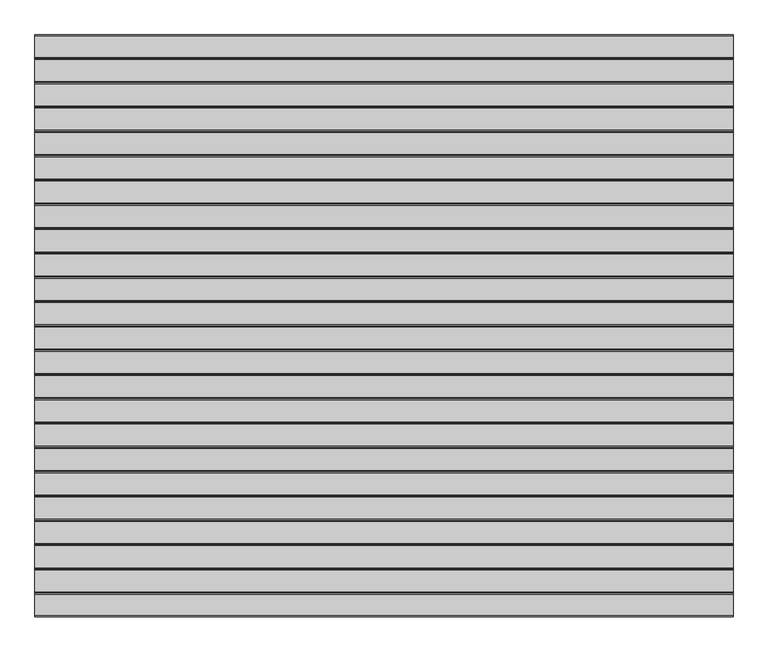
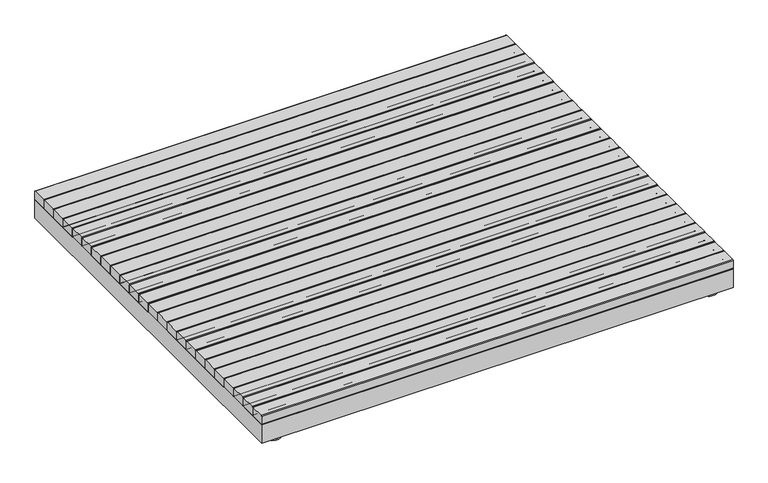
"""IFC4 building model written with IfcOpenShell, lengths in millimetres: furniture geometry."""

import ifcopenshell
import ifcopenshell.guid

model = None  # the IFC model being written
_history = None  # IfcOwnerHistory: only IFC2X3 demands one
_inside = {}  # id of a spatial element -> (the spatial element, [elements in it])
_under = {}  # id of a project, library or spatial element -> (it, [spatial elements below it])
_declared = {}  # id of a project -> (the project, [libraries it declares])
_typed = {}  # id of a type object -> (the type object, [elements of that type])
_made_of = {}  # id of a material, layer set ... -> (it, [elements and type objects made of it])


def new_model(schema):
    """Start an empty IFC model of exactly this schema.

    Asked for "IFC4X3", IfcOpenShell would pick the latest addendum, in which some entities
    have other attributes; the version numbers below select the first issue.
    IFC2X3 requires an IfcOwnerHistory on every rooted entity: one is made here for all.
    """
    global model, _history
    if schema == "IFC4X3":
        model = ifcopenshell.file(schema_version=(4, 3, 0, 0))
    else:
        model = ifcopenshell.file(schema=schema)
    _inside.clear()
    _under.clear()
    _declared.clear()
    _typed.clear()
    _made_of.clear()
    _history = None
    if model.schema == "IFC2X3":
        org = make("IfcOrganization", Name="unknown")
        user = make(
            "IfcPersonAndOrganization",
            ThePerson=make("IfcPerson", FamilyName="unknown"),
            TheOrganization=org,
        )
        app = make(
            "IfcApplication",
            ApplicationDeveloper=org,
            Version="unknown",
            ApplicationFullName="unknown",
            ApplicationIdentifier="unknown",
        )
        _history = make(
            "IfcOwnerHistory",
            OwningUser=user,
            OwningApplication=app,
            ChangeAction="ADDED",
            CreationDate=0,
        )
    return model


def make(cls, **values):
    """One entity of the class cls with the attributes given. An attribute that is None is left unset."""
    return model.create_entity(
        cls, **{name: value for name, value in values.items() if value is not None}
    )


def rooted(cls, **values):
    """An entity with a GlobalId (a new one), such as an element, a storey or a relation."""
    return make(cls, GlobalId=ifcopenshell.guid.new(), OwnerHistory=_history, **values)


def si_unit(unit_type, name, prefix=None):
    """IfcSIUnit, for example si_unit("LENGTHUNIT", "METRE", prefix="MILLI")."""
    return make("IfcSIUnit", UnitType=unit_type, Prefix=prefix, Name=name)


def assignment(units):
    """IfcUnitAssignment: the units of a project."""
    return None if units is None else make("IfcUnitAssignment", Units=units)


def point(xyz):
    """IfcCartesianPoint."""
    return None if xyz is None else make("IfcCartesianPoint", Coordinates=xyz)


def direction(xyz):
    """IfcDirection."""
    return None if xyz is None else make("IfcDirection", DirectionRatios=xyz)


def frame(location, z_axis=None, x_axis=None):
    """IfcAxis2Placement3D, a coordinate frame: its origin and axes. An axis left out is left unset."""
    return make(
        "IfcAxis2Placement3D",
        Location=point(location),
        Axis=direction(z_axis),
        RefDirection=direction(x_axis),
    )


def frame_2d(location, x_axis=None):
    """IfcAxis2Placement2D, a coordinate frame in the plane: its origin and x axis."""
    return make(
        "IfcAxis2Placement2D", Location=point(location), RefDirection=direction(x_axis)
    )


def origin():
    """The frame at (0, 0, 0) with its axes left unset."""
    return frame((0.0, 0.0, 0.0))


def origin_with_axes():
    """The frame at (0, 0, 0) with the z axis (0, 0, 1) and the x axis (1, 0, 0) written out."""
    return frame((0.0, 0.0, 0.0), z_axis=(0.0, 0.0, 1.0), x_axis=(1.0, 0.0, 0.0))


def place(relative_to, where):
    """IfcLocalPlacement: puts the frame where relative to a parent placement (None: the world)."""
    return make(
        "IfcLocalPlacement", PlacementRelTo=relative_to, RelativePlacement=where
    )


def context(
    kind, dimensions, precision=None, world=None, true_north=None, identifier=None
):
    """IfcGeometricRepresentationContext, for example the 3D "Model" context."""
    return make(
        "IfcGeometricRepresentationContext",
        ContextIdentifier=identifier,
        ContextType=kind,
        CoordinateSpaceDimension=dimensions,
        Precision=precision,
        WorldCoordinateSystem=world,
        TrueNorth=true_north,
    )


def project(units=None, contexts=None):
    """IfcProject with its units and contexts."""
    return rooted(
        "IfcProject",
        Name="project",
        RepresentationContexts=contexts,
        UnitsInContext=assignment(units),
    )


def spatial(cls, under=None, at=None, **own):
    """A site, building, storey or space (cls), placed at a placement, below another one or the project."""
    s = rooted(cls, ObjectPlacement=at, **own)
    if under is not None:
        _under.setdefault(under.id(), (under, []))[1].append(s)
    return s


def polyline(points):
    """IfcPolyline through the points."""
    return make("IfcPolyline", Points=[point(p) for p in points])


def circle_curve(where, radius):
    """IfcCircle in the frame where."""
    return make("IfcCircle", Position=where, Radius=radius)


def trimmed(basis, trim1, trim2, sense, master):
    """IfcTrimmedCurve: the piece of a basis curve between two trims."""
    return make(
        "IfcTrimmedCurve",
        BasisCurve=basis,
        Trim1=trim1,
        Trim2=trim2,
        SenseAgreement=sense,
        MasterRepresentation=master,
    )


def segment(curve, same_sense, transition):
    """IfcCompositeCurveSegment."""
    return make(
        "IfcCompositeCurveSegment",
        Transition=transition,
        SameSense=same_sense,
        ParentCurve=curve,
    )


def composite_curve(segments, self_intersect=None):
    """IfcCompositeCurve: segments joined end to end."""
    return make("IfcCompositeCurve", Segments=segments, SelfIntersect=self_intersect)


def outline(outer, holes=None, kind="AREA"):
    """IfcArbitraryClosedProfileDef: a profile drawn as a closed curve; with holes, ...WithVoids."""
    if holes is None:
        return make("IfcArbitraryClosedProfileDef", ProfileType=kind, OuterCurve=outer)
    return make(
        "IfcArbitraryProfileDefWithVoids",
        ProfileType=kind,
        OuterCurve=outer,
        InnerCurves=holes,
    )


def extrude(swept, where, along, depth):
    """IfcExtrudedAreaSolid: the profile swept, set in the frame where, extruded along a direction by depth."""
    return make(
        "IfcExtrudedAreaSolid",
        SweptArea=swept,
        Position=where,
        ExtrudedDirection=direction(along),
        Depth=depth,
    )


def faces_of(points, faces, orient=None, outer=None):
    """IfcFace entities. A face is a list of loops; a loop is a list of indices into points, from 0.

    orient and outer hold one flag for each loop. By default every Orientation is true, the
    first loop of a face is its IfcFaceOuterBound and the others are IfcFaceBound.
    """
    made = []
    for i, loops in enumerate(faces):
        bounds = []
        for j, loop in enumerate(loops):
            is_outer = j == 0 if outer is None else outer[i][j]
            bounds.append(
                make(
                    "IfcFaceOuterBound" if is_outer else "IfcFaceBound",
                    Bound=make("IfcPolyLoop", Polygon=[points[k] for k in loop]),
                    Orientation=True if orient is None else orient[i][j],
                )
            )
        made.append(make("IfcFace", Bounds=bounds))
    return made


def faceted_brep(points, faces, orient=None, outer=None, voids=None):
    """IfcFacetedBrep: a solid bounded by flat faces; with voids (closed shells), ...WithVoids."""
    shared = [point(p) for p in points]
    hull = make("IfcClosedShell", CfsFaces=faces_of(shared, faces, orient, outer))
    if voids is None:
        return make("IfcFacetedBrep", Outer=hull)
    return make(
        "IfcFacetedBrepWithVoids",
        Outer=hull,
        Voids=[
            make(cls, CfsFaces=faces_of(shared, fs, o, b)) for cls, fs, o, b in voids
        ],
    )


def shape(context_of_items, identifier, shape_type, items):
    """IfcShapeRepresentation: the items that make up one representation, for example the "Body"."""
    return make(
        "IfcShapeRepresentation",
        ContextOfItems=context_of_items,
        RepresentationIdentifier=identifier,
        RepresentationType=shape_type,
        Items=items,
    )


def source(mapping_origin, context_of_items, identifier, shape_type, items):
    """IfcRepresentationMap: a shape defined once, which mapped items show again and again."""
    return make(
        "IfcRepresentationMap",
        MappingOrigin=mapping_origin,
        MappedRepresentation=shape(context_of_items, identifier, shape_type, items),
    )


def transform(
    local_origin,
    x_axis=None,
    y_axis=None,
    z_axis=None,
    scale=None,
    scale2=None,
    scale3=None,
    uniform=True,
):
    """IfcCartesianTransformationOperator3D, or its non-uniform kind. x_axis, y_axis, z_axis: its Axis1, 2, 3."""
    if uniform:
        return make(
            "IfcCartesianTransformationOperator3D",
            Axis1=direction(x_axis),
            Axis2=direction(y_axis),
            LocalOrigin=point(local_origin),
            Scale=scale,
            Axis3=direction(z_axis),
        )
    return make(
        "IfcCartesianTransformationOperator3DnonUniform",
        Axis1=direction(x_axis),
        Axis2=direction(y_axis),
        LocalOrigin=point(local_origin),
        Scale=scale,
        Axis3=direction(z_axis),
        Scale2=scale2,
        Scale3=scale3,
    )


def mapped(mapping_source, mapping_target):
    """IfcMappedItem: shows the shape of a source again, moved by a transform."""
    return make(
        "IfcMappedItem", MappingSource=mapping_source, MappingTarget=mapping_target
    )


def made_of(thing, what):
    """Note that an element or type object is made of a material, layer set ...; save() writes the relation."""
    if what is not None:
        _made_of.setdefault(what.id(), (what, []))[1].append(thing)
    return thing


def element(
    cls,
    number,
    at=None,
    inside=None,
    cuts=None,
    type_object=None,
    material=None,
    context=None,
    identifier="Body",
    shape_type=None,
    held_by="IfcProductDefinitionShape",
    body=None,
    shapes=None,
    **own,
):
    """One element of the class cls, such as IfcWall. Its Tag is "e" and its number.

    at: its placement. inside: the storey or other place that contains it. cuts: it is an
    opening in that element (IfcRelVoidsElement). A single representation is given by context,
    identifier, shape_type and body (its items); several are given by shapes. held_by: the class
    of the entity that holds the representations. save() writes the other relations.
    """
    e = rooted(cls, Tag="e%d" % number, ObjectPlacement=at, **own)
    if body is not None:
        shapes = [shape(context, identifier, shape_type, body)]
    if shapes is not None:
        e.Representation = make(held_by, Representations=shapes)
    if inside is not None:
        _inside.setdefault(inside.id(), (inside, []))[1].append(e)
    if cuts is not None:
        rooted(
            "IfcRelVoidsElement", RelatingBuildingElement=cuts, RelatedOpeningElement=e
        )
    if type_object is not None:
        _typed.setdefault(type_object.id(), (type_object, []))[1].append(e)
    return made_of(e, material)


def aggregate(whole, parts):
    """IfcRelAggregates: a whole, such as a stair, and the parts it consists of."""
    return rooted("IfcRelAggregates", RelatingObject=whole, RelatedObjects=parts)


def save(model, path):
    """Write the relations noted so far, then the file.

    IfcRelAggregates (storeys below a building ...), IfcRelContainedInSpatialStructure (elements
    in a storey), IfcRelDefinesByType, IfcRelAssociatesMaterial and IfcRelDeclares: one each for
    every whole, place, type object, material and project.
    """
    for whole, parts in _under.values():
        aggregate(whole, parts)
    for where, things in _inside.values():
        rooted(
            "IfcRelContainedInSpatialStructure",
            RelatedElements=things,
            RelatingStructure=where,
        )
    for kind, things in _typed.values():
        rooted("IfcRelDefinesByType", RelatedObjects=things, RelatingType=kind)
    for what, things in _made_of.values():
        rooted("IfcRelAssociatesMaterial", RelatedObjects=things, RelatingMaterial=what)
    for by, libraries in _declared.values():
        rooted("IfcRelDeclares", RelatingContext=by, RelatedDefinitions=libraries)
    model.write(path)


def furniture_09816e15(model_context):
    return source(origin(), model_context, "Body", "SolidModel", [
        faceted_brep([(-1199.9998, 1000.0865, 125.3), (-1199.9998, -1000.0, 125.3), (1199.9999759, -1000.0, 125.3), (1199.9999759, 1000.0865, 125.3), (-1149.9999759, 950.0, 125.3), (1149.9999759, 950.0, 125.3), (1149.9999759, -950.0, 125.3), (-1149.9999759, -950.0, 125.3), (-1199.9998, 1000.0865, 25.3), (1199.9999759, 1000.0865, 25.3), (1199.9999759, -1000.0, 25.3), (-1199.9998, -1000.0, 25.3), (1149.9999759, 950.0, 25.3), (-1149.9999759, 950.0, 25.3), (-1149.9999759, -950.0, 25.3), (1149.9999759, -950.0, 25.3), (-1149.9999759, 950.0, 120.3), (1149.9999759, 950.0, 120.3), (1149.9999759, 950.0, 30.3), (-1149.9999759, 950.0, 30.3), (-1149.9999759, -950.0, 120.3), (-1149.9999759, -950.0, 30.3), (1149.9999759, -950.0, 120.3), (1149.9999759, -950.0, 30.3), (-1194.9999759, 995.0, 120.3), (1194.9999759, 995.0, 120.3), (1194.9999759, -995.0, 120.3), (-1194.9999759, -995.0, 120.3), (-1194.9999759, 995.0, 30.3), (-1194.9999759, -995.0, 30.3), (1194.9999759, -995.0, 30.3), (1194.9999759, 995.0, 30.3)], [[[0, 1, 2, 3], [4, 5, 6, 7]], [[8, 9, 10, 11], [12, 13, 14, 15]], [[1, 0, 8, 11]], [[2, 1, 11, 10]], [[3, 2, 10, 9]], [[0, 3, 9, 8]], [[5, 4, 16, 17]], [[13, 12, 18, 19]], [[4, 7, 20, 16]], [[14, 13, 19, 21]], [[7, 6, 22, 20]], [[15, 14, 21, 23]], [[6, 5, 17, 22]], [[12, 15, 23, 18]], [[24, 25, 26, 27], [17, 16, 20, 22]], [[28, 29, 30, 31], [19, 18, 23, 21]], [[24, 27, 29, 28]], [[27, 26, 30, 29]], [[26, 25, 31, 30]], [[25, 24, 28, 31]]]),
        extrude(outline(composite_curve([segment(polyline([(-916.1308913, 172.8), (-838.5656739, 172.8)]), True, "CONTINUOUS"), segment(trimmed(circle_curve(frame_2d((-838.5656739, 169.8)), 3.0), [point((-838.5656739, 172.8))], [point((-835.5656739, 169.8))], False, "CARTESIAN"), True, "CONTINUOUS"), segment(polyline([(-835.5656739, 169.8), (-835.5656739, 128.2937565)]), True, "CONTINUOUS"), segment(trimmed(circle_curve(frame_2d((-838.5594304, 128.2937565)), 2.9937565), [point((-835.5656739, 128.2937565))], [point((-838.5594304, 125.3))], False, "CARTESIAN"), True, "CONTINUOUS"), segment(polyline([(-838.5594304, 125.3), (-916.1308913, 125.3)]), True, "CONTINUOUS"), segment(trimmed(circle_curve(frame_2d((-916.1308913, 128.3)), 3.0), [point((-916.1308913, 125.3))], [point((-919.1308913, 128.3))], False, "CARTESIAN"), True, "CONTINUOUS"), segment(polyline([(-919.1308913, 128.3), (-919.1308913, 169.8)]), True, "CONTINUOUS"), segment(trimmed(circle_curve(frame_2d((-916.1308913, 169.8)), 3.0), [point((-919.1308913, 169.8))], [point((-916.1308913, 172.8))], False, "CARTESIAN"), True, "CONTINUOUS")], self_intersect=False)), frame((-1199.9998, 0.0, 0.0), z_axis=(1.0, 0.0, 0.0), x_axis=(0.0, 1.0, 0.0)), (0.0, 0.0, 1.0), 2399.9997759),
        extrude(outline(composite_curve([segment(polyline([(-832.5656739, 172.8), (-755.0004565, 172.8)]), True, "CONTINUOUS"), segment(trimmed(circle_curve(frame_2d((-755.0004565, 169.8)), 3.0), [point((-755.0004565, 172.8))], [point((-752.0004565, 169.8))], False, "CARTESIAN"), True, "CONTINUOUS"), segment(polyline([(-752.0004565, 169.8), (-752.0004565, 128.2937565)]), True, "CONTINUOUS"), segment(trimmed(circle_curve(frame_2d((-754.994213, 128.2937565)), 2.9937565), [point((-752.0004565, 128.2937565))], [point((-754.994213, 125.3))], False, "CARTESIAN"), True, "CONTINUOUS"), segment(polyline([(-754.994213, 125.3), (-832.5656739, 125.3)]), True, "CONTINUOUS"), segment(trimmed(circle_curve(frame_2d((-832.5656739, 128.3)), 3.0), [point((-832.5656739, 125.3))], [point((-835.5656739, 128.3))], False, "CARTESIAN"), True, "CONTINUOUS"), segment(polyline([(-835.5656739, 128.3), (-835.5656739, 169.8)]), True, "CONTINUOUS"), segment(trimmed(circle_curve(frame_2d((-832.5656739, 169.8)), 3.0), [point((-835.5656739, 169.8))], [point((-832.5656739, 172.8))], False, "CARTESIAN"), True, "CONTINUOUS")], self_intersect=False)), frame((-1199.9998, 0.0, 0.0), z_axis=(1.0, 0.0, 0.0), x_axis=(0.0, 1.0, 0.0)), (0.0, 0.0, 1.0), 2399.9997759),
        extrude(outline(composite_curve([segment(polyline([(-749.0004565, 172.8), (-671.4352391, 172.8)]), True, "CONTINUOUS"), segment(trimmed(circle_curve(frame_2d((-671.4352391, 169.8)), 3.0), [point((-671.4352391, 172.8))], [point((-668.4352391, 169.8))], False, "CARTESIAN"), True, "CONTINUOUS"), segment(polyline([(-668.4352391, 169.8), (-668.4352391, 128.2937565)]), True, "CONTINUOUS"), segment(trimmed(circle_curve(frame_2d((-671.4289956, 128.2937565)), 2.9937565), [point((-668.4352391, 128.2937565))], [point((-671.4289956, 125.3))], False, "CARTESIAN"), True, "CONTINUOUS"), segment(polyline([(-671.4289956, 125.3), (-749.0004565, 125.3)]), True, "CONTINUOUS"), segment(trimmed(circle_curve(frame_2d((-749.0004565, 128.3)), 3.0), [point((-749.0004565, 125.3))], [point((-752.0004565, 128.3))], False, "CARTESIAN"), True, "CONTINUOUS"), segment(polyline([(-752.0004565, 128.3), (-752.0004565, 169.8)]), True, "CONTINUOUS"), segment(trimmed(circle_curve(frame_2d((-749.0004565, 169.8)), 3.0), [point((-752.0004565, 169.8))], [point((-749.0004565, 172.8))], False, "CARTESIAN"), True, "CONTINUOUS")], self_intersect=False)), frame((-1199.9998, 0.0, 0.0), z_axis=(1.0, 0.0, 0.0), x_axis=(0.0, 1.0, 0.0)), (0.0, 0.0, 1.0), 2399.9997759),
        extrude(outline(composite_curve([segment(polyline([(-665.4352391, 172.8), (-587.8700217, 172.8)]), True, "CONTINUOUS"), segment(trimmed(circle_curve(frame_2d((-587.8700217, 169.8)), 3.0), [point((-587.8700217, 172.8))], [point((-584.8700217, 169.8))], False, "CARTESIAN"), True, "CONTINUOUS"), segment(polyline([(-584.8700217, 169.8), (-584.8700217, 128.2937565)]), True, "CONTINUOUS"), segment(trimmed(circle_curve(frame_2d((-587.8637782, 128.2937565)), 2.9937565), [point((-584.8700217, 128.2937565))], [point((-587.8637782, 125.3))], False, "CARTESIAN"), True, "CONTINUOUS"), segment(polyline([(-587.8637782, 125.3), (-665.4352391, 125.3)]), True, "CONTINUOUS"), segment(trimmed(circle_curve(frame_2d((-665.4352391, 128.3)), 3.0), [point((-665.4352391, 125.3))], [point((-668.4352391, 128.3))], False, "CARTESIAN"), True, "CONTINUOUS"), segment(polyline([(-668.4352391, 128.3), (-668.4352391, 169.8)]), True, "CONTINUOUS"), segment(trimmed(circle_curve(frame_2d((-665.4352391, 169.8)), 3.0), [point((-668.4352391, 169.8))], [point((-665.4352391, 172.8))], False, "CARTESIAN"), True, "CONTINUOUS")], self_intersect=False)), frame((-1199.9998, 0.0, 0.0), z_axis=(1.0, 0.0, 0.0), x_axis=(0.0, 1.0, 0.0)), (0.0, 0.0, 1.0), 2399.9997759),
        extrude(outline(composite_curve([segment(polyline([(-581.8700217, 172.8), (-504.3048043, 172.8)]), True, "CONTINUOUS"), segment(trimmed(circle_curve(frame_2d((-504.3048043, 169.8)), 3.0), [point((-504.3048043, 172.8))], [point((-501.3048043, 169.8))], False, "CARTESIAN"), True, "CONTINUOUS"), segment(polyline([(-501.3048043, 169.8), (-501.3048043, 128.2937565)]), True, "CONTINUOUS"), segment(trimmed(circle_curve(frame_2d((-504.2985608, 128.2937565)), 2.9937565), [point((-501.3048043, 128.2937565))], [point((-504.2985608, 125.3))], False, "CARTESIAN"), True, "CONTINUOUS"), segment(polyline([(-504.2985608, 125.3), (-581.8700217, 125.3)]), True, "CONTINUOUS"), segment(trimmed(circle_curve(frame_2d((-581.8700217, 128.3)), 3.0), [point((-581.8700217, 125.3))], [point((-584.8700217, 128.3))], False, "CARTESIAN"), True, "CONTINUOUS"), segment(polyline([(-584.8700217, 128.3), (-584.8700217, 169.8)]), True, "CONTINUOUS"), segment(trimmed(circle_curve(frame_2d((-581.8700217, 169.8)), 3.0), [point((-584.8700217, 169.8))], [point((-581.8700217, 172.8))], False, "CARTESIAN"), True, "CONTINUOUS")], self_intersect=False)), frame((-1199.9998, 0.0, 0.0), z_axis=(1.0, 0.0, 0.0), x_axis=(0.0, 1.0, 0.0)), (0.0, 0.0, 1.0), 2399.9997759),
        extrude(outline(composite_curve([segment(polyline([(-498.3048043, 172.8), (-420.739587, 172.8)]), True, "CONTINUOUS"), segment(trimmed(circle_curve(frame_2d((-420.739587, 169.8)), 3.0), [point((-420.739587, 172.8))], [point((-417.739587, 169.8))], False, "CARTESIAN"), True, "CONTINUOUS"), segment(polyline([(-417.739587, 169.8), (-417.739587, 128.2937565)]), True, "CONTINUOUS"), segment(trimmed(circle_curve(frame_2d((-420.7333434, 128.2937565)), 2.9937565), [point((-417.739587, 128.2937565))], [point((-420.7333434, 125.3))], False, "CARTESIAN"), True, "CONTINUOUS"), segment(polyline([(-420.7333434, 125.3), (-498.3048043, 125.3)]), True, "CONTINUOUS"), segment(trimmed(circle_curve(frame_2d((-498.3048043, 128.3)), 3.0), [point((-498.3048043, 125.3))], [point((-501.3048043, 128.3))], False, "CARTESIAN"), True, "CONTINUOUS"), segment(polyline([(-501.3048043, 128.3), (-501.3048043, 169.8)]), True, "CONTINUOUS"), segment(trimmed(circle_curve(frame_2d((-498.3048043, 169.8)), 3.0), [point((-501.3048043, 169.8))], [point((-498.3048043, 172.8))], False, "CARTESIAN"), True, "CONTINUOUS")], self_intersect=False)), frame((-1199.9998, 0.0, 0.0), z_axis=(1.0, 0.0, 0.0), x_axis=(0.0, 1.0, 0.0)), (0.0, 0.0, 1.0), 2399.9997759),
        extrude(outline(composite_curve([segment(polyline([(-414.739587, 172.8), (-337.1743696, 172.8)]), True, "CONTINUOUS"), segment(trimmed(circle_curve(frame_2d((-337.1743696, 169.8)), 3.0), [point((-337.1743696, 172.8))], [point((-334.1743696, 169.8))], False, "CARTESIAN"), True, "CONTINUOUS"), segment(polyline([(-334.1743696, 169.8), (-334.1743696, 128.2937565)]), True, "CONTINUOUS"), segment(trimmed(circle_curve(frame_2d((-337.1681261, 128.2937565)), 2.9937565), [point((-334.1743696, 128.2937565))], [point((-337.1681261, 125.3))], False, "CARTESIAN"), True, "CONTINUOUS"), segment(polyline([(-337.1681261, 125.3), (-414.739587, 125.3)]), True, "CONTINUOUS"), segment(trimmed(circle_curve(frame_2d((-414.739587, 128.3)), 3.0), [point((-414.739587, 125.3))], [point((-417.739587, 128.3))], False, "CARTESIAN"), True, "CONTINUOUS"), segment(polyline([(-417.739587, 128.3), (-417.739587, 169.8)]), True, "CONTINUOUS"), segment(trimmed(circle_curve(frame_2d((-414.739587, 169.8)), 3.0), [point((-417.739587, 169.8))], [point((-414.739587, 172.8))], False, "CARTESIAN"), True, "CONTINUOUS")], self_intersect=False)), frame((-1199.9998, 0.0, 0.0), z_axis=(1.0, 0.0, 0.0), x_axis=(0.0, 1.0, 0.0)), (0.0, 0.0, 1.0), 2399.9997759),
        extrude(outline(composite_curve([segment(polyline([(-331.1743696, 172.8), (-253.6091522, 172.8)]), True, "CONTINUOUS"), segment(trimmed(circle_curve(frame_2d((-253.6091522, 169.8)), 3.0), [point((-253.6091522, 172.8))], [point((-250.6091522, 169.8))], False, "CARTESIAN"), True, "CONTINUOUS"), segment(polyline([(-250.6091522, 169.8), (-250.6091522, 128.2937565)]), True, "CONTINUOUS"), segment(trimmed(circle_curve(frame_2d((-253.6029087, 128.2937565)), 2.9937565), [point((-250.6091522, 128.2937565))], [point((-253.6029087, 125.3))], False, "CARTESIAN"), True, "CONTINUOUS"), segment(polyline([(-253.6029087, 125.3), (-331.1743696, 125.3)]), True, "CONTINUOUS"), segment(trimmed(circle_curve(frame_2d((-331.1743696, 128.3)), 3.0), [point((-331.1743696, 125.3))], [point((-334.1743696, 128.3))], False, "CARTESIAN"), True, "CONTINUOUS"), segment(polyline([(-334.1743696, 128.3), (-334.1743696, 169.8)]), True, "CONTINUOUS"), segment(trimmed(circle_curve(frame_2d((-331.1743696, 169.8)), 3.0), [point((-334.1743696, 169.8))], [point((-331.1743696, 172.8))], False, "CARTESIAN"), True, "CONTINUOUS")], self_intersect=False)), frame((-1199.9998, 0.0, 0.0), z_axis=(1.0, 0.0, 0.0), x_axis=(0.0, 1.0, 0.0)), (0.0, 0.0, 1.0), 2399.9997759),
        extrude(outline(composite_curve([segment(polyline([(-247.6091522, 172.8), (-170.0439348, 172.8)]), True, "CONTINUOUS"), segment(trimmed(circle_curve(frame_2d((-170.0439348, 169.8)), 3.0), [point((-170.0439348, 172.8))], [point((-167.0439348, 169.8))], False, "CARTESIAN"), True, "CONTINUOUS"), segment(polyline([(-167.0439348, 169.8), (-167.0439348, 128.2937565)]), True, "CONTINUOUS"), segment(trimmed(circle_curve(frame_2d((-170.0376913, 128.2937565)), 2.9937565), [point((-167.0439348, 128.2937565))], [point((-170.0376913, 125.3))], False, "CARTESIAN"), True, "CONTINUOUS"), segment(polyline([(-170.0376913, 125.3), (-247.6091522, 125.3)]), True, "CONTINUOUS"), segment(trimmed(circle_curve(frame_2d((-247.6091522, 128.3)), 3.0), [point((-247.6091522, 125.3))], [point((-250.6091522, 128.3))], False, "CARTESIAN"), True, "CONTINUOUS"), segment(polyline([(-250.6091522, 128.3), (-250.6091522, 169.8)]), True, "CONTINUOUS"), segment(trimmed(circle_curve(frame_2d((-247.6091522, 169.8)), 3.0), [point((-250.6091522, 169.8))], [point((-247.6091522, 172.8))], False, "CARTESIAN"), True, "CONTINUOUS")], self_intersect=False)), frame((-1199.9998, 0.0, 0.0), z_axis=(1.0, 0.0, 0.0), x_axis=(0.0, 1.0, 0.0)), (0.0, 0.0, 1.0), 2399.9997759),
        extrude(outline(composite_curve([segment(polyline([(-164.0439348, 172.8), (-86.4787174, 172.8)]), True, "CONTINUOUS"), segment(trimmed(circle_curve(frame_2d((-86.4787174, 169.8)), 3.0), [point((-86.4787174, 172.8))], [point((-83.4787174, 169.8))], False, "CARTESIAN"), True, "CONTINUOUS"), segment(polyline([(-83.4787174, 169.8), (-83.4787174, 128.2937565)]), True, "CONTINUOUS"), segment(trimmed(circle_curve(frame_2d((-86.4724739, 128.2937565)), 2.9937565), [point((-83.4787174, 128.2937565))], [point((-86.4724739, 125.3))], False, "CARTESIAN"), True, "CONTINUOUS"), segment(polyline([(-86.4724739, 125.3), (-164.0439348, 125.3)]), True, "CONTINUOUS"), segment(trimmed(circle_curve(frame_2d((-164.0439348, 128.3)), 3.0), [point((-164.0439348, 125.3))], [point((-167.0439348, 128.3))], False, "CARTESIAN"), True, "CONTINUOUS"), segment(polyline([(-167.0439348, 128.3), (-167.0439348, 169.8)]), True, "CONTINUOUS"), segment(trimmed(circle_curve(frame_2d((-164.0439348, 169.8)), 3.0), [point((-167.0439348, 169.8))], [point((-164.0439348, 172.8))], False, "CARTESIAN"), True, "CONTINUOUS")], self_intersect=False)), frame((-1199.9998, 0.0, 0.0), z_axis=(1.0, 0.0, 0.0), x_axis=(0.0, 1.0, 0.0)), (0.0, 0.0, 1.0), 2399.9997759),
        extrude(outline(composite_curve([segment(polyline([(-80.4787174, 172.8), (-2.9135, 172.8)]), True, "CONTINUOUS"), segment(trimmed(circle_curve(frame_2d((-2.9135, 169.8)), 3.0), [point((-2.9135, 172.8))], [point((0.0865, 169.8))], False, "CARTESIAN"), True, "CONTINUOUS"), segment(polyline([(0.0865, 169.8), (0.0865, 128.2937565)]), True, "CONTINUOUS"), segment(trimmed(circle_curve(frame_2d((-2.9072565, 128.2937565)), 2.9937565), [point((0.0865, 128.2937565))], [point((-2.9072565, 125.3))], False, "CARTESIAN"), True, "CONTINUOUS"), segment(polyline([(-2.9072565, 125.3), (-80.4787174, 125.3)]), True, "CONTINUOUS"), segment(trimmed(circle_curve(frame_2d((-80.4787174, 128.3)), 3.0), [point((-80.4787174, 125.3))], [point((-83.4787174, 128.3))], False, "CARTESIAN"), True, "CONTINUOUS"), segment(polyline([(-83.4787174, 128.3), (-83.4787174, 169.8)]), True, "CONTINUOUS"), segment(trimmed(circle_curve(frame_2d((-80.4787174, 169.8)), 3.0), [point((-83.4787174, 169.8))], [point((-80.4787174, 172.8))], False, "CARTESIAN"), True, "CONTINUOUS")], self_intersect=False)), frame((-1199.9998, 0.0, 0.0), z_axis=(1.0, 0.0, 0.0), x_axis=(0.0, 1.0, 0.0)), (0.0, 0.0, 1.0), 2399.9997759),
        extrude(outline(composite_curve([segment(polyline([(3.0865, 172.8), (80.6517174, 172.8)]), True, "CONTINUOUS"), segment(trimmed(circle_curve(frame_2d((80.6517174, 169.8)), 3.0), [point((80.6517174, 172.8))], [point((83.6517174, 169.8))], False, "CARTESIAN"), True, "CONTINUOUS"), segment(polyline([(83.6517174, 169.8), (83.6517174, 128.2937565)]), True, "CONTINUOUS"), segment(trimmed(circle_curve(frame_2d((80.6579609, 128.2937565)), 2.9937565), [point((83.6517174, 128.2937565))], [point((80.6579609, 125.3))], False, "CARTESIAN"), True, "CONTINUOUS"), segment(polyline([(80.6579609, 125.3), (3.0865, 125.3)]), True, "CONTINUOUS"), segment(trimmed(circle_curve(frame_2d((3.0865, 128.3)), 3.0), [point((3.0865, 125.3))], [point((0.0865, 128.3))], False, "CARTESIAN"), True, "CONTINUOUS"), segment(polyline([(0.0865, 128.3), (0.0865, 169.8)]), True, "CONTINUOUS"), segment(trimmed(circle_curve(frame_2d((3.0865, 169.8)), 3.0), [point((0.0865, 169.8))], [point((3.0865, 172.8))], False, "CARTESIAN"), True, "CONTINUOUS")], self_intersect=False)), frame((-1199.9998, 0.0, 0.0), z_axis=(1.0, 0.0, 0.0), x_axis=(0.0, 1.0, 0.0)), (0.0, 0.0, 1.0), 2399.9997759),
        extrude(outline(composite_curve([segment(polyline([(86.6517174, 172.8), (164.2169348, 172.8)]), True, "CONTINUOUS"), segment(trimmed(circle_curve(frame_2d((164.2169348, 169.8)), 3.0), [point((164.2169348, 172.8))], [point((167.2169348, 169.8))], False, "CARTESIAN"), True, "CONTINUOUS"), segment(polyline([(167.2169348, 169.8), (167.2169348, 128.2937565)]), True, "CONTINUOUS"), segment(trimmed(circle_curve(frame_2d((164.2231783, 128.2937565)), 2.9937565), [point((167.2169348, 128.2937565))], [point((164.2231783, 125.3))], False, "CARTESIAN"), True, "CONTINUOUS"), segment(polyline([(164.2231783, 125.3), (86.6517174, 125.3)]), True, "CONTINUOUS"), segment(trimmed(circle_curve(frame_2d((86.6517174, 128.3)), 3.0), [point((86.6517174, 125.3))], [point((83.6517174, 128.3))], False, "CARTESIAN"), True, "CONTINUOUS"), segment(polyline([(83.6517174, 128.3), (83.6517174, 169.8)]), True, "CONTINUOUS"), segment(trimmed(circle_curve(frame_2d((86.6517174, 169.8)), 3.0), [point((83.6517174, 169.8))], [point((86.6517174, 172.8))], False, "CARTESIAN"), True, "CONTINUOUS")], self_intersect=False)), frame((-1199.9998, 0.0, 0.0), z_axis=(1.0, 0.0, 0.0), x_axis=(0.0, 1.0, 0.0)), (0.0, 0.0, 1.0), 2399.9997759),
        extrude(outline(composite_curve([segment(polyline([(170.2169348, 172.8), (247.7821522, 172.8)]), True, "CONTINUOUS"), segment(trimmed(circle_curve(frame_2d((247.7821522, 169.8)), 3.0), [point((247.7821522, 172.8))], [point((250.7821522, 169.8))], False, "CARTESIAN"), True, "CONTINUOUS"), segment(polyline([(250.7821522, 169.8), (250.7821522, 128.2937565)]), True, "CONTINUOUS"), segment(trimmed(circle_curve(frame_2d((247.7883957, 128.2937565)), 2.9937565), [point((250.7821522, 128.2937565))], [point((247.7883957, 125.3))], False, "CARTESIAN"), True, "CONTINUOUS"), segment(polyline([(247.7883957, 125.3), (170.2169348, 125.3)]), True, "CONTINUOUS"), segment(trimmed(circle_curve(frame_2d((170.2169348, 128.3)), 3.0), [point((170.2169348, 125.3))], [point((167.2169348, 128.3))], False, "CARTESIAN"), True, "CONTINUOUS"), segment(polyline([(167.2169348, 128.3), (167.2169348, 169.8)]), True, "CONTINUOUS"), segment(trimmed(circle_curve(frame_2d((170.2169348, 169.8)), 3.0), [point((167.2169348, 169.8))], [point((170.2169348, 172.8))], False, "CARTESIAN"), True, "CONTINUOUS")], self_intersect=False)), frame((-1199.9998, 0.0, 0.0), z_axis=(1.0, 0.0, 0.0), x_axis=(0.0, 1.0, 0.0)), (0.0, 0.0, 1.0), 2399.9997759),
        extrude(outline(composite_curve([segment(polyline([(253.7821522, 172.8), (331.3473696, 172.8)]), True, "CONTINUOUS"), segment(trimmed(circle_curve(frame_2d((331.3473696, 169.8)), 3.0), [point((331.3473696, 172.8))], [point((334.3473696, 169.8))], False, "CARTESIAN"), True, "CONTINUOUS"), segment(polyline([(334.3473696, 169.8), (334.3473696, 128.2937565)]), True, "CONTINUOUS"), segment(trimmed(circle_curve(frame_2d((331.3536131, 128.2937565)), 2.9937565), [point((334.3473696, 128.2937565))], [point((331.3536131, 125.3))], False, "CARTESIAN"), True, "CONTINUOUS"), segment(polyline([(331.3536131, 125.3), (253.7821522, 125.3)]), True, "CONTINUOUS"), segment(trimmed(circle_curve(frame_2d((253.7821522, 128.3)), 3.0), [point((253.7821522, 125.3))], [point((250.7821522, 128.3))], False, "CARTESIAN"), True, "CONTINUOUS"), segment(polyline([(250.7821522, 128.3), (250.7821522, 169.8)]), True, "CONTINUOUS"), segment(trimmed(circle_curve(frame_2d((253.7821522, 169.8)), 3.0), [point((250.7821522, 169.8))], [point((253.7821522, 172.8))], False, "CARTESIAN"), True, "CONTINUOUS")], self_intersect=False)), frame((-1199.9998, 0.0, 0.0), z_axis=(1.0, 0.0, 0.0), x_axis=(0.0, 1.0, 0.0)), (0.0, 0.0, 1.0), 2399.9997759),
        extrude(outline(composite_curve([segment(polyline([(337.3473696, 172.8), (414.912587, 172.8)]), True, "CONTINUOUS"), segment(trimmed(circle_curve(frame_2d((414.912587, 169.8)), 3.0), [point((414.912587, 172.8))], [point((417.912587, 169.8))], False, "CARTESIAN"), True, "CONTINUOUS"), segment(polyline([(417.912587, 169.8), (417.912587, 128.2937565)]), True, "CONTINUOUS"), segment(trimmed(circle_curve(frame_2d((414.9188305, 128.2937565)), 2.9937565), [point((417.912587, 128.2937565))], [point((414.9188305, 125.3))], False, "CARTESIAN"), True, "CONTINUOUS"), segment(polyline([(414.9188305, 125.3), (337.3473696, 125.3)]), True, "CONTINUOUS"), segment(trimmed(circle_curve(frame_2d((337.3473696, 128.3)), 3.0), [point((337.3473696, 125.3))], [point((334.3473696, 128.3))], False, "CARTESIAN"), True, "CONTINUOUS"), segment(polyline([(334.3473696, 128.3), (334.3473696, 169.8)]), True, "CONTINUOUS"), segment(trimmed(circle_curve(frame_2d((337.3473696, 169.8)), 3.0), [point((334.3473696, 169.8))], [point((337.3473696, 172.8))], False, "CARTESIAN"), True, "CONTINUOUS")], self_intersect=False)), frame((-1199.9998, 0.0, 0.0), z_axis=(1.0, 0.0, 0.0), x_axis=(0.0, 1.0, 0.0)), (0.0, 0.0, 1.0), 2399.9997759),
        extrude(outline(composite_curve([segment(polyline([(420.912587, 172.8), (498.4778043, 172.8)]), True, "CONTINUOUS"), segment(trimmed(circle_curve(frame_2d((498.4778043, 169.8)), 3.0), [point((498.4778043, 172.8))], [point((501.4778043, 169.8))], False, "CARTESIAN"), True, "CONTINUOUS"), segment(polyline([(501.4778043, 169.8), (501.4778043, 128.2937565)]), True, "CONTINUOUS"), segment(trimmed(circle_curve(frame_2d((498.4840479, 128.2937565)), 2.9937565), [point((501.4778043, 128.2937565))], [point((498.4840479, 125.3))], False, "CARTESIAN"), True, "CONTINUOUS"), segment(polyline([(498.4840479, 125.3), (420.912587, 125.3)]), True, "CONTINUOUS"), segment(trimmed(circle_curve(frame_2d((420.912587, 128.3)), 3.0), [point((420.912587, 125.3))], [point((417.912587, 128.3))], False, "CARTESIAN"), True, "CONTINUOUS"), segment(polyline([(417.912587, 128.3), (417.912587, 169.8)]), True, "CONTINUOUS"), segment(trimmed(circle_curve(frame_2d((420.912587, 169.8)), 3.0), [point((417.912587, 169.8))], [point((420.912587, 172.8))], False, "CARTESIAN"), True, "CONTINUOUS")], self_intersect=False)), frame((-1199.9998, 0.0, 0.0), z_axis=(1.0, 0.0, 0.0), x_axis=(0.0, 1.0, 0.0)), (0.0, 0.0, 1.0), 2399.9997759),
        extrude(outline(composite_curve([segment(polyline([(504.4778043, 172.8), (582.0430217, 172.8)]), True, "CONTINUOUS"), segment(trimmed(circle_curve(frame_2d((582.0430217, 169.8)), 3.0), [point((582.0430217, 172.8))], [point((585.0430217, 169.8))], False, "CARTESIAN"), True, "CONTINUOUS"), segment(polyline([(585.0430217, 169.8), (585.0430217, 128.2937565)]), True, "CONTINUOUS"), segment(trimmed(circle_curve(frame_2d((582.0492653, 128.2937565)), 2.9937565), [point((585.0430217, 128.2937565))], [point((582.0492653, 125.3))], False, "CARTESIAN"), True, "CONTINUOUS"), segment(polyline([(582.0492653, 125.3), (504.4778043, 125.3)]), True, "CONTINUOUS"), segment(trimmed(circle_curve(frame_2d((504.4778043, 128.3)), 3.0), [point((504.4778043, 125.3))], [point((501.4778043, 128.3))], False, "CARTESIAN"), True, "CONTINUOUS"), segment(polyline([(501.4778043, 128.3), (501.4778043, 169.8)]), True, "CONTINUOUS"), segment(trimmed(circle_curve(frame_2d((504.4778043, 169.8)), 3.0), [point((501.4778043, 169.8))], [point((504.4778043, 172.8))], False, "CARTESIAN"), True, "CONTINUOUS")], self_intersect=False)), frame((-1199.9998, 0.0, 0.0), z_axis=(1.0, 0.0, 0.0), x_axis=(0.0, 1.0, 0.0)), (0.0, 0.0, 1.0), 2399.9997759),
        extrude(outline(composite_curve([segment(polyline([(588.0430217, 172.8), (665.6082391, 172.8)]), True, "CONTINUOUS"), segment(trimmed(circle_curve(frame_2d((665.6082391, 169.8)), 3.0), [point((665.6082391, 172.8))], [point((668.6082391, 169.8))], False, "CARTESIAN"), True, "CONTINUOUS"), segment(polyline([(668.6082391, 169.8), (668.6082391, 128.2937565)]), True, "CONTINUOUS"), segment(trimmed(circle_curve(frame_2d((665.6144826, 128.2937565)), 2.9937565), [point((668.6082391, 128.2937565))], [point((665.6144826, 125.3))], False, "CARTESIAN"), True, "CONTINUOUS"), segment(polyline([(665.6144826, 125.3), (588.0430217, 125.3)]), True, "CONTINUOUS"), segment(trimmed(circle_curve(frame_2d((588.0430217, 128.3)), 3.0), [point((588.0430217, 125.3))], [point((585.0430217, 128.3))], False, "CARTESIAN"), True, "CONTINUOUS"), segment(polyline([(585.0430217, 128.3), (585.0430217, 169.8)]), True, "CONTINUOUS"), segment(trimmed(circle_curve(frame_2d((588.0430217, 169.8)), 3.0), [point((585.0430217, 169.8))], [point((588.0430217, 172.8))], False, "CARTESIAN"), True, "CONTINUOUS")], self_intersect=False)), frame((-1199.9998, 0.0, 0.0), z_axis=(1.0, 0.0, 0.0), x_axis=(0.0, 1.0, 0.0)), (0.0, 0.0, 1.0), 2399.9997759),
        extrude(outline(composite_curve([segment(polyline([(671.6082391, 172.8), (749.1734565, 172.8)]), True, "CONTINUOUS"), segment(trimmed(circle_curve(frame_2d((749.1734565, 169.8)), 3.0), [point((749.1734565, 172.8))], [point((752.1734565, 169.8))], False, "CARTESIAN"), True, "CONTINUOUS"), segment(polyline([(752.1734565, 169.8), (752.1734565, 128.2937565)]), True, "CONTINUOUS"), segment(trimmed(circle_curve(frame_2d((749.1797, 128.2937565)), 2.9937565), [point((752.1734565, 128.2937565))], [point((749.1797, 125.3))], False, "CARTESIAN"), True, "CONTINUOUS"), segment(polyline([(749.1797, 125.3), (671.6082391, 125.3)]), True, "CONTINUOUS"), segment(trimmed(circle_curve(frame_2d((671.6082391, 128.3)), 3.0), [point((671.6082391, 125.3))], [point((668.6082391, 128.3))], False, "CARTESIAN"), True, "CONTINUOUS"), segment(polyline([(668.6082391, 128.3), (668.6082391, 169.8)]), True, "CONTINUOUS"), segment(trimmed(circle_curve(frame_2d((671.6082391, 169.8)), 3.0), [point((668.6082391, 169.8))], [point((671.6082391, 172.8))], False, "CARTESIAN"), True, "CONTINUOUS")], self_intersect=False)), frame((-1199.9998, 0.0, 0.0), z_axis=(1.0, 0.0, 0.0), x_axis=(0.0, 1.0, 0.0)), (0.0, 0.0, 1.0), 2399.9997759),
        extrude(outline(composite_curve([segment(polyline([(755.1734565, 172.8), (832.7386739, 172.8)]), True, "CONTINUOUS"), segment(trimmed(circle_curve(frame_2d((832.7386739, 169.8)), 3.0), [point((832.7386739, 172.8))], [point((835.7386739, 169.8))], False, "CARTESIAN"), True, "CONTINUOUS"), segment(polyline([(835.7386739, 169.8), (835.7386739, 128.2937565)]), True, "CONTINUOUS"), segment(trimmed(circle_curve(frame_2d((832.7449174, 128.2937565)), 2.9937565), [point((835.7386739, 128.2937565))], [point((832.7449174, 125.3))], False, "CARTESIAN"), True, "CONTINUOUS"), segment(polyline([(832.7449174, 125.3), (755.1734565, 125.3)]), True, "CONTINUOUS"), segment(trimmed(circle_curve(frame_2d((755.1734565, 128.3)), 3.0), [point((755.1734565, 125.3))], [point((752.1734565, 128.3))], False, "CARTESIAN"), True, "CONTINUOUS"), segment(polyline([(752.1734565, 128.3), (752.1734565, 169.8)]), True, "CONTINUOUS"), segment(trimmed(circle_curve(frame_2d((755.1734565, 169.8)), 3.0), [point((752.1734565, 169.8))], [point((755.1734565, 172.8))], False, "CARTESIAN"), True, "CONTINUOUS")], self_intersect=False)), frame((-1199.9998, 0.0, 0.0), z_axis=(1.0, 0.0, 0.0), x_axis=(0.0, 1.0, 0.0)), (0.0, 0.0, 1.0), 2399.9997759),
        extrude(outline(composite_curve([segment(polyline([(-996.9135, 172.8), (-922.1308913, 172.8)]), True, "CONTINUOUS"), segment(trimmed(circle_curve(frame_2d((-922.1308913, 169.8)), 3.0), [point((-922.1308913, 172.8))], [point((-919.1308913, 169.8))], False, "CARTESIAN"), True, "CONTINUOUS"), segment(polyline([(-919.1308913, 169.8), (-919.1308913, 128.2937565)]), True, "CONTINUOUS"), segment(trimmed(circle_curve(frame_2d((-922.1246478, 128.2937565)), 2.9937565), [point((-919.1308913, 128.2937565))], [point((-922.1246478, 125.3))], False, "CARTESIAN"), True, "CONTINUOUS"), segment(polyline([(-922.1246478, 125.3), (-996.9135, 125.3)]), True, "CONTINUOUS"), segment(trimmed(circle_curve(frame_2d((-996.9135, 128.3)), 3.0), [point((-996.9135, 125.3))], [point((-999.9135, 128.3))], False, "CARTESIAN"), True, "CONTINUOUS"), segment(polyline([(-999.9135, 128.3), (-999.9135, 169.8)]), True, "CONTINUOUS"), segment(trimmed(circle_curve(frame_2d((-996.9135, 169.8)), 3.0), [point((-999.9135, 169.8))], [point((-996.9135, 172.8))], False, "CARTESIAN"), True, "CONTINUOUS")], self_intersect=False)), frame((-1199.9998, 0.0, 0.0), z_axis=(1.0, 0.0, 0.0), x_axis=(0.0, 1.0, 0.0)), (0.0, 0.0, 1.0), 2399.9997759),
        extrude(outline(composite_curve([segment(polyline([(838.7386739, 172.8), (916.3038913, 172.8)]), True, "CONTINUOUS"), segment(trimmed(circle_curve(frame_2d((916.3038913, 169.8)), 3.0), [point((916.3038913, 172.8))], [point((919.3038913, 169.8))], False, "CARTESIAN"), True, "CONTINUOUS"), segment(polyline([(919.3038913, 169.8), (919.3038913, 128.2937565)]), True, "CONTINUOUS"), segment(trimmed(circle_curve(frame_2d((916.3101348, 128.2937565)), 2.9937565), [point((919.3038913, 128.2937565))], [point((916.3101348, 125.3))], False, "CARTESIAN"), True, "CONTINUOUS"), segment(polyline([(916.3101348, 125.3), (838.7386739, 125.3)]), True, "CONTINUOUS"), segment(trimmed(circle_curve(frame_2d((838.7386739, 128.3)), 3.0), [point((838.7386739, 125.3))], [point((835.7386739, 128.3))], False, "CARTESIAN"), True, "CONTINUOUS"), segment(polyline([(835.7386739, 128.3), (835.7386739, 169.8)]), True, "CONTINUOUS"), segment(trimmed(circle_curve(frame_2d((838.7386739, 169.8)), 3.0), [point((835.7386739, 169.8))], [point((838.7386739, 172.8))], False, "CARTESIAN"), True, "CONTINUOUS")], self_intersect=False)), frame((-1199.9998, 0.0, 0.0), z_axis=(1.0, 0.0, 0.0), x_axis=(0.0, 1.0, 0.0)), (0.0, 0.0, 1.0), 2399.9997759),
        extrude(outline(composite_curve([segment(polyline([(922.3038913, 172.8), (997.0865, 172.8)]), True, "CONTINUOUS"), segment(trimmed(circle_curve(frame_2d((997.0865, 169.8)), 3.0), [point((997.0865, 172.8))], [point((1000.0865, 169.8))], False, "CARTESIAN"), True, "CONTINUOUS"), segment(polyline([(1000.0865, 169.8), (1000.0865, 128.2937565)]), True, "CONTINUOUS"), segment(trimmed(circle_curve(frame_2d((997.0927435, 128.2937565)), 2.9937565), [point((1000.0865, 128.2937565))], [point((997.0927435, 125.3))], False, "CARTESIAN"), True, "CONTINUOUS"), segment(polyline([(997.0927435, 125.3), (922.3038913, 125.3)]), True, "CONTINUOUS"), segment(trimmed(circle_curve(frame_2d((922.3038913, 128.3)), 3.0), [point((922.3038913, 125.3))], [point((919.3038913, 128.3))], False, "CARTESIAN"), True, "CONTINUOUS"), segment(polyline([(919.3038913, 128.3), (919.3038913, 169.8)]), True, "CONTINUOUS"), segment(trimmed(circle_curve(frame_2d((922.3038913, 169.8)), 3.0), [point((919.3038913, 169.8))], [point((922.3038913, 172.8))], False, "CARTESIAN"), True, "CONTINUOUS")], self_intersect=False)), frame((-1199.9998, 0.0, 0.0), z_axis=(1.0, 0.0, 0.0), x_axis=(0.0, 1.0, 0.0)), (0.0, 0.0, 1.0), 2399.9997759),
        extrude(outline(composite_curve([segment(trimmed(circle_curve(frame_2d((1109.9882666, 939.9870149)), 40.0), [point((1149.9882666, 939.9870149))], [point((1069.9882666, 939.9870149))], False, "CARTESIAN"), True, "CONTINUOUS"), segment(trimmed(circle_curve(frame_2d((1109.9882666, 939.9870149)), 40.0), [point((1069.9882666, 939.9870149))], [point((1149.9882666, 939.9870149))], False, "CARTESIAN"), True, "CONTINUOUS")], self_intersect=False)), origin_with_axes(), (0.0, 0.0, 1.0), 8.0),
        extrude(outline(composite_curve([segment(trimmed(circle_curve(frame_2d((1109.9882666, 939.9870149)), 5.8385242), [point((1115.8267908, 939.9870149))], [point((1104.1497425, 939.9870149))], False, "CARTESIAN"), True, "CONTINUOUS"), segment(trimmed(circle_curve(frame_2d((1109.9882666, 939.9870149)), 5.8385242), [point((1104.1497425, 939.9870149))], [point((1115.8267908, 939.9870149))], False, "CARTESIAN"), True, "CONTINUOUS")], self_intersect=False)), frame((0.0, 0.0, 8.0), z_axis=(0.0, 0.0, 1.0), x_axis=(1.0, 0.0, 0.0)), (0.0, 0.0, 1.0), 95.0),
        extrude(outline(composite_curve([segment(trimmed(circle_curve(frame_2d((1109.9882666, -939.9870149)), 40.0), [point((1149.9882666, -939.9870149))], [point((1069.9882666, -939.9870149))], False, "CARTESIAN"), True, "CONTINUOUS"), segment(trimmed(circle_curve(frame_2d((1109.9882666, -939.9870149)), 40.0), [point((1069.9882666, -939.9870149))], [point((1149.9882666, -939.9870149))], False, "CARTESIAN"), True, "CONTINUOUS")], self_intersect=False)), origin_with_axes(), (0.0, 0.0, 1.0), 8.0),
        extrude(outline(composite_curve([segment(trimmed(circle_curve(frame_2d((1109.9882666, -939.9870149)), 5.8385242), [point((1115.8267908, -939.9870149))], [point((1104.1497425, -939.9870149))], False, "CARTESIAN"), True, "CONTINUOUS"), segment(trimmed(circle_curve(frame_2d((1109.9882666, -939.9870149)), 5.8385242), [point((1104.1497425, -939.9870149))], [point((1115.8267908, -939.9870149))], False, "CARTESIAN"), True, "CONTINUOUS")], self_intersect=False)), frame((0.0, 0.0, 8.0), z_axis=(0.0, 0.0, 1.0), x_axis=(1.0, 0.0, 0.0)), (0.0, 0.0, 1.0), 95.0),
        extrude(outline(composite_curve([segment(trimmed(circle_curve(frame_2d((-1109.9882666, 939.9870149)), 40.0), [point((-1149.9882666, 939.9870149))], [point((-1069.9882666, 939.9870149))], False, "CARTESIAN"), True, "CONTINUOUS"), segment(trimmed(circle_curve(frame_2d((-1109.9882666, 939.9870149)), 40.0), [point((-1069.9882666, 939.9870149))], [point((-1149.9882666, 939.9870149))], False, "CARTESIAN"), True, "CONTINUOUS")], self_intersect=False)), origin_with_axes(), (0.0, 0.0, 1.0), 8.0),
        extrude(outline(composite_curve([segment(trimmed(circle_curve(frame_2d((-1109.9882666, 939.9870149)), 5.8385242), [point((-1115.8267908, 939.9870149))], [point((-1104.1497425, 939.9870149))], False, "CARTESIAN"), True, "CONTINUOUS"), segment(trimmed(circle_curve(frame_2d((-1109.9882666, 939.9870149)), 5.8385242), [point((-1104.1497425, 939.9870149))], [point((-1115.8267908, 939.9870149))], False, "CARTESIAN"), True, "CONTINUOUS")], self_intersect=False)), frame((0.0, 0.0, 8.0), z_axis=(0.0, 0.0, 1.0), x_axis=(1.0, 0.0, 0.0)), (0.0, 0.0, 1.0), 95.0),
        extrude(outline(composite_curve([segment(trimmed(circle_curve(frame_2d((-1109.9882666, -939.9870149)), 40.0), [point((-1149.9882666, -939.9870149))], [point((-1069.9882666, -939.9870149))], False, "CARTESIAN"), True, "CONTINUOUS"), segment(trimmed(circle_curve(frame_2d((-1109.9882666, -939.9870149)), 40.0), [point((-1069.9882666, -939.9870149))], [point((-1149.9882666, -939.9870149))], False, "CARTESIAN"), True, "CONTINUOUS")], self_intersect=False)), origin_with_axes(), (0.0, 0.0, 1.0), 8.0),
        extrude(outline(composite_curve([segment(trimmed(circle_curve(frame_2d((-1109.9882666, -939.9870149)), 5.8385242), [point((-1115.8267908, -939.9870149))], [point((-1104.1497425, -939.9870149))], False, "CARTESIAN"), True, "CONTINUOUS"), segment(trimmed(circle_curve(frame_2d((-1109.9882666, -939.9870149)), 5.8385242), [point((-1104.1497425, -939.9870149))], [point((-1115.8267908, -939.9870149))], False, "CARTESIAN"), True, "CONTINUOUS")], self_intersect=False)), frame((0.0, 0.0, 8.0), z_axis=(0.0, 0.0, 1.0), x_axis=(1.0, 0.0, 0.0)), (0.0, 0.0, 1.0), 95.0),
    ])


if __name__ == "__main__":
    model = new_model("IFC4")
    model_context = context("Model", 3, world=origin())
    ifc_project = project(units=[si_unit("LENGTHUNIT", "METRE", prefix="MILLI")], contexts=[model_context])
    site = spatial("IfcSite", under=ifc_project)
    building = spatial("IfcBuilding", under=site)
    placement = place(None, origin())
    furniture_shape = furniture_09816e15(model_context)
    element("IfcFurniture", 1, at=placement, inside=building, context=model_context, shape_type="MappedRepresentation", body=[
        mapped(furniture_shape, transform((0.0, 0.0, 0.0), x_axis=(1.0, 0.0, 0.0), y_axis=(0.0, 1.0, 0.0), z_axis=(0.0, 0.0, 1.0))),
    ])
    save(model, "model.ifc")
